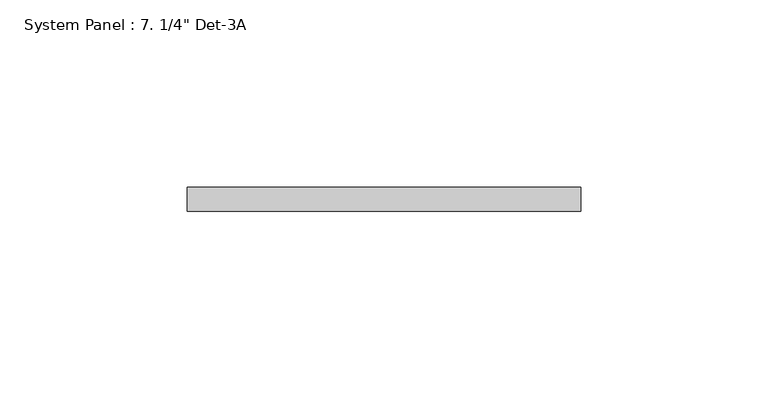
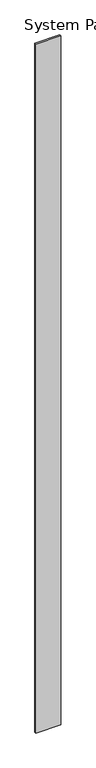
"""IFC4 building model written with IfcOpenShell, lengths in millimetres: plate geometry."""

import ifcopenshell
import ifcopenshell.guid

model = None  # the IFC model being written
_history = None  # IfcOwnerHistory: only IFC2X3 demands one
_inside = {}  # id of a spatial element -> (the spatial element, [elements in it])
_under = {}  # id of a project, library or spatial element -> (it, [spatial elements below it])
_declared = {}  # id of a project -> (the project, [libraries it declares])
_typed = {}  # id of a type object -> (the type object, [elements of that type])
_made_of = {}  # id of a material, layer set ... -> (it, [elements and type objects made of it])


def new_model(schema):
    """Start an empty IFC model of exactly this schema.

    Asked for "IFC4X3", IfcOpenShell would pick the latest addendum, in which some entities
    have other attributes; the version numbers below select the first issue.
    IFC2X3 requires an IfcOwnerHistory on every rooted entity: one is made here for all.
    """
    global model, _history
    if schema == "IFC4X3":
        model = ifcopenshell.file(schema_version=(4, 3, 0, 0))
    else:
        model = ifcopenshell.file(schema=schema)
    _inside.clear()
    _under.clear()
    _declared.clear()
    _typed.clear()
    _made_of.clear()
    _history = None
    if model.schema == "IFC2X3":
        org = make("IfcOrganization", Name="unknown")
        user = make(
            "IfcPersonAndOrganization",
            ThePerson=make("IfcPerson", FamilyName="unknown"),
            TheOrganization=org,
        )
        app = make(
            "IfcApplication",
            ApplicationDeveloper=org,
            Version="unknown",
            ApplicationFullName="unknown",
            ApplicationIdentifier="unknown",
        )
        _history = make(
            "IfcOwnerHistory",
            OwningUser=user,
            OwningApplication=app,
            ChangeAction="ADDED",
            CreationDate=0,
        )
    return model


def make(cls, **values):
    """One entity of the class cls with the attributes given. An attribute that is None is left unset."""
    return model.create_entity(
        cls, **{name: value for name, value in values.items() if value is not None}
    )


def rooted(cls, **values):
    """An entity with a GlobalId (a new one), such as an element, a storey or a relation."""
    return make(cls, GlobalId=ifcopenshell.guid.new(), OwnerHistory=_history, **values)


def si_unit(unit_type, name, prefix=None):
    """IfcSIUnit, for example si_unit("LENGTHUNIT", "METRE", prefix="MILLI")."""
    return make("IfcSIUnit", UnitType=unit_type, Prefix=prefix, Name=name)


def assignment(units):
    """IfcUnitAssignment: the units of a project."""
    return None if units is None else make("IfcUnitAssignment", Units=units)


def point(xyz):
    """IfcCartesianPoint."""
    return None if xyz is None else make("IfcCartesianPoint", Coordinates=xyz)


def direction(xyz):
    """IfcDirection."""
    return None if xyz is None else make("IfcDirection", DirectionRatios=xyz)


def frame(location, z_axis=None, x_axis=None):
    """IfcAxis2Placement3D, a coordinate frame: its origin and axes. An axis left out is left unset."""
    return make(
        "IfcAxis2Placement3D",
        Location=point(location),
        Axis=direction(z_axis),
        RefDirection=direction(x_axis),
    )


def origin():
    """The frame at (0, 0, 0) with its axes left unset."""
    return frame((0.0, 0.0, 0.0))


def origin_with_axes():
    """The frame at (0, 0, 0) with the z axis (0, 0, 1) and the x axis (1, 0, 0) written out."""
    return frame((0.0, 0.0, 0.0), z_axis=(0.0, 0.0, 1.0), x_axis=(1.0, 0.0, 0.0))


def place(relative_to, where):
    """IfcLocalPlacement: puts the frame where relative to a parent placement (None: the world)."""
    return make(
        "IfcLocalPlacement", PlacementRelTo=relative_to, RelativePlacement=where
    )


def context(
    kind, dimensions, precision=None, world=None, true_north=None, identifier=None
):
    """IfcGeometricRepresentationContext, for example the 3D "Model" context."""
    return make(
        "IfcGeometricRepresentationContext",
        ContextIdentifier=identifier,
        ContextType=kind,
        CoordinateSpaceDimension=dimensions,
        Precision=precision,
        WorldCoordinateSystem=world,
        TrueNorth=true_north,
    )


def project(units=None, contexts=None):
    """IfcProject with its units and contexts."""
    return rooted(
        "IfcProject",
        Name="project",
        RepresentationContexts=contexts,
        UnitsInContext=assignment(units),
    )


def spatial(cls, under=None, at=None, **own):
    """A site, building, storey or space (cls), placed at a placement, below another one or the project."""
    s = rooted(cls, ObjectPlacement=at, **own)
    if under is not None:
        _under.setdefault(under.id(), (under, []))[1].append(s)
    return s


def polyline(points):
    """IfcPolyline through the points."""
    return make("IfcPolyline", Points=[point(p) for p in points])


def outline(outer, holes=None, kind="AREA"):
    """IfcArbitraryClosedProfileDef: a profile drawn as a closed curve; with holes, ...WithVoids."""
    if holes is None:
        return make("IfcArbitraryClosedProfileDef", ProfileType=kind, OuterCurve=outer)
    return make(
        "IfcArbitraryProfileDefWithVoids",
        ProfileType=kind,
        OuterCurve=outer,
        InnerCurves=holes,
    )


def extrude(swept, where, along, depth):
    """IfcExtrudedAreaSolid: the profile swept, set in the frame where, extruded along a direction by depth."""
    return make(
        "IfcExtrudedAreaSolid",
        SweptArea=swept,
        Position=where,
        ExtrudedDirection=direction(along),
        Depth=depth,
    )


def shape(context_of_items, identifier, shape_type, items):
    """IfcShapeRepresentation: the items that make up one representation, for example the "Body"."""
    return make(
        "IfcShapeRepresentation",
        ContextOfItems=context_of_items,
        RepresentationIdentifier=identifier,
        RepresentationType=shape_type,
        Items=items,
    )


def source(mapping_origin, context_of_items, identifier, shape_type, items):
    """IfcRepresentationMap: a shape defined once, which mapped items show again and again."""
    return make(
        "IfcRepresentationMap",
        MappingOrigin=mapping_origin,
        MappedRepresentation=shape(context_of_items, identifier, shape_type, items),
    )


def transform(
    local_origin,
    x_axis=None,
    y_axis=None,
    z_axis=None,
    scale=None,
    scale2=None,
    scale3=None,
    uniform=True,
):
    """IfcCartesianTransformationOperator3D, or its non-uniform kind. x_axis, y_axis, z_axis: its Axis1, 2, 3."""
    if uniform:
        return make(
            "IfcCartesianTransformationOperator3D",
            Axis1=direction(x_axis),
            Axis2=direction(y_axis),
            LocalOrigin=point(local_origin),
            Scale=scale,
            Axis3=direction(z_axis),
        )
    return make(
        "IfcCartesianTransformationOperator3DnonUniform",
        Axis1=direction(x_axis),
        Axis2=direction(y_axis),
        LocalOrigin=point(local_origin),
        Scale=scale,
        Axis3=direction(z_axis),
        Scale2=scale2,
        Scale3=scale3,
    )


def mapped(mapping_source, mapping_target):
    """IfcMappedItem: shows the shape of a source again, moved by a transform."""
    return make(
        "IfcMappedItem", MappingSource=mapping_source, MappingTarget=mapping_target
    )


def made_of(thing, what):
    """Note that an element or type object is made of a material, layer set ...; save() writes the relation."""
    if what is not None:
        _made_of.setdefault(what.id(), (what, []))[1].append(thing)
    return thing


def element(
    cls,
    number,
    at=None,
    inside=None,
    cuts=None,
    type_object=None,
    material=None,
    context=None,
    identifier="Body",
    shape_type=None,
    held_by="IfcProductDefinitionShape",
    body=None,
    shapes=None,
    **own,
):
    """One element of the class cls, such as IfcWall. Its Tag is "e" and its number.

    at: its placement. inside: the storey or other place that contains it. cuts: it is an
    opening in that element (IfcRelVoidsElement). A single representation is given by context,
    identifier, shape_type and body (its items); several are given by shapes. held_by: the class
    of the entity that holds the representations. save() writes the other relations.
    """
    e = rooted(cls, Tag="e%d" % number, ObjectPlacement=at, **own)
    if body is not None:
        shapes = [shape(context, identifier, shape_type, body)]
    if shapes is not None:
        e.Representation = make(held_by, Representations=shapes)
    if inside is not None:
        _inside.setdefault(inside.id(), (inside, []))[1].append(e)
    if cuts is not None:
        rooted(
            "IfcRelVoidsElement", RelatingBuildingElement=cuts, RelatedOpeningElement=e
        )
    if type_object is not None:
        _typed.setdefault(type_object.id(), (type_object, []))[1].append(e)
    return made_of(e, material)


def aggregate(whole, parts):
    """IfcRelAggregates: a whole, such as a stair, and the parts it consists of."""
    return rooted("IfcRelAggregates", RelatingObject=whole, RelatedObjects=parts)


def save(model, path):
    """Write the relations noted so far, then the file.

    IfcRelAggregates (storeys below a building ...), IfcRelContainedInSpatialStructure (elements
    in a storey), IfcRelDefinesByType, IfcRelAssociatesMaterial and IfcRelDeclares: one each for
    every whole, place, type object, material and project.
    """
    for whole, parts in _under.values():
        aggregate(whole, parts)
    for where, things in _inside.values():
        rooted(
            "IfcRelContainedInSpatialStructure",
            RelatedElements=things,
            RelatingStructure=where,
        )
    for kind, things in _typed.values():
        rooted("IfcRelDefinesByType", RelatedObjects=things, RelatingType=kind)
    for what, things in _made_of.values():
        rooted("IfcRelAssociatesMaterial", RelatedObjects=things, RelatingMaterial=what)
    for by, libraries in _declared.values():
        rooted("IfcRelDeclares", RelatingContext=by, RelatedDefinitions=libraries)
    model.write(path)


def plate_83d8ad19(model_context):
    return source(origin(), model_context, "Body", "SweptSolid", [
        extrude(outline(polyline([(52.4051231, 0.0), (-52.4051231, 0.0), (-52.4051231, 6.35), (52.4051231, 6.35), (52.4051231, 0.0)])), origin_with_axes(), (0.0, 0.0, 1.0), 3048.0),
    ])


if __name__ == "__main__":
    model = new_model("IFC4")
    model_context = context("Model", 3, world=origin())
    ifc_project = project(units=[si_unit("LENGTHUNIT", "METRE", prefix="MILLI")], contexts=[model_context])
    site = spatial("IfcSite", under=ifc_project)
    building = spatial("IfcBuilding", under=site)
    placement = place(None, origin())
    plate_shape = plate_83d8ad19(model_context)
    element("IfcPlate", 1, ObjectType="System Panel : 7. 1/4\" Det-3A", at=placement, inside=building, context=model_context, shape_type="MappedRepresentation", body=[
        mapped(plate_shape, transform((0.0, 0.0, 0.0), x_axis=(1.0, 0.0, 0.0), y_axis=(0.0, 1.0, 0.0), z_axis=(0.0, 0.0, 1.0))),
    ])
    save(model, "model.ifc")
